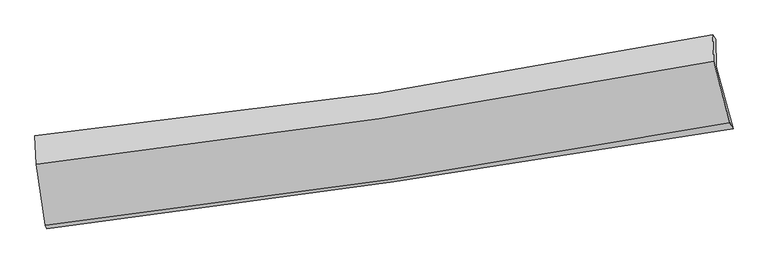
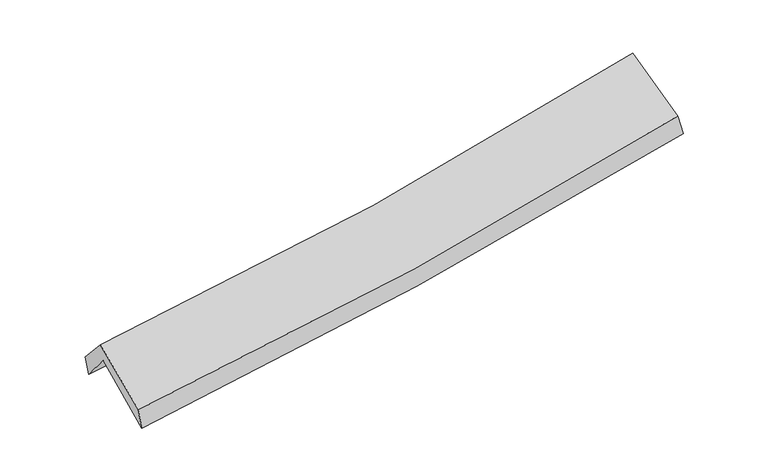
"""IFC4 building model written with IfcOpenShell, lengths in millimetres: proxy geometry."""

from ifc_helpers import new_model, si_unit, frame, origin, place, context, project, spatial, source, transform, mapped, element, save
from ifc_brep_helpers import plane_surface, spline_curve, spline_surface, advanced_brep


def generic_models_a4a6bc3a(model_context):
    return source(origin(), model_context, "Body", "AdvancedBrep", [
        advanced_brep(
        [(-2937.3283917, -2532.6401304, 1448.9196392), (-3017.861698, -1997.4554817, 1883.8290022), (2928.6906525, -1113.086068, 2414.8852298), (3075.0284425, -1658.3585508, 1983.8131116), (-3028.1494199, -1757.7484089, 1593.5359798), (2921.6255956, -873.8190691, 2087.8206554), (-3041.2270666, -1719.0164443, 1761.4027957), (2896.0852181, -834.4711816, 2254.2450549), (-3029.2028266, -1966.7367362, 2035.1990739), (2905.1289443, -1064.3356693, 2548.075747), (-2950.5880452, -2500.6687307, 1633.8570281), (3046.8829291, -1604.4101987, 2149.9173343)],
        [
            (0, 1),
            (1, 2, spline_curve(3, [(-3017.861698, -1997.4554817, 1883.8290022), (-2011.319638665, -1882.888358054, 1942.765083696), (-1008.682479542, -1751.202765027, 2016.94921065), (973.382142884, -1455.889116098, 2194.43456057), (1952.929100621, -1292.784904599, 2297.269176167), (2928.6906525, -1113.086068, 2414.8852298)], [4, 2, 4], [0.0, 10.032730739435351, 19.910762347920063])),
            (2, 3),
            (3, 0, spline_curve(3, [(3075.0284425, -1658.3585508, 1983.8131116), (2087.003623891, -1822.953899789, 1861.569566962), (1095.878566911, -1977.620052733, 1756.088408239), (-908.142511974, -2269.360682175, 1577.261443941), (-1921.136400133, -2406.121722266, 1504.444778519), (-2937.3283917, -2532.6401304, 1448.9196392)], [4, 2, 4], [0.0, 9.878031608484712, 19.910762347920063])),
            (1, 4),
            (4, 5, spline_curve(3, [(-3028.1494199, -1757.7484089, 1593.5359798), (-2019.388855176, -1643.285719369, 1621.679853869), (-1015.378317087, -1511.689182325, 1677.475400862), (967.734665466, -1216.521754318, 1843.083131986), (1946.982465433, -1053.475177755, 1952.049143408), (2921.6255956, -873.8190691, 2087.8206554)], [4, 2, 4], [0.0, 9.981728952480665, 19.80954519321437])),
            (5, 2),
            (4, 6),
            (6, 7, spline_curve(3, [(-3041.2270666, -1719.0164443, 1761.4027957), (-2034.007184742, -1617.811429564, 1805.215524367), (-1031.815764647, -1492.740098912, 1868.662551701), (947.134453736, -1197.161341804, 2033.544136432), (1924.047128432, -1027.384251394, 2134.377862248), (2896.0852181, -834.4711816, 2254.2450549)], [4, 2, 4], [0.0, 9.972888528669957, 19.792000660013848])),
            (7, 5),
            (6, 8),
            (8, 9, spline_curve(3, [(-3029.2028266, -1966.7367362, 2035.1990739), (-2023.553655335, -1854.633905852, 2086.566412323), (-1022.393739329, -1722.644807653, 2155.456974781), (955.579474973, -1421.235909862, 2326.952096458), (1932.530149123, -1252.424652337, 2429.020424826), (2905.1289443, -1064.3356693, 2548.075747)], [4, 2, 4], [0.0, 9.96295415227887, 19.772285089793247])),
            (9, 7),
            (8, 10),
            (10, 11, spline_curve(3, [(-2950.5880452, -2500.6687307, 1633.8570281), (-1935.161305616, -2382.824520107, 1687.178596929), (-923.806910008, -2248.506899415, 1757.308124272), (1075.225462913, -1949.249950268, 1929.842569018), (2063.028058983, -1784.814727386, 2031.733143556), (3046.8829291, -1604.4101987, 2149.9173343)], [4, 2, 4], [0.0, 10.01387587689614, 19.873343354340847])),
            (11, 9),
            (10, 0),
            (3, 11),
        ],
        [
            spline_surface(3, 3, [[(-2937.3283917, -2532.6401304, 1448.9196392), (-1921.136400069, -2406.121722221, 1504.444778565), (-908.14251212, -2269.360682108, 1577.261443923), (1095.878567055, -1977.620052798, 1756.088408258), (2087.003623794, -1822.953899727, 1861.569567062), (3075.0284425, -1658.3585508, 1983.8131116)], [(-2964.172827131, -2354.245247489, 1593.889426836), (-1951.197479643, -2231.710600851, 1650.551546938), (-941.655834607, -2096.641376446, 1723.824032812), (1055.046425673, -1803.709740556, 1902.203792354), (2042.312116018, -1646.230901328, 2006.802770121), (3026.249179148, -1476.601056541, 2127.503817673)], [(-2991.017262569, -2175.850364611, 1738.859214564), (-1981.258559226, -2057.299479514, 1796.658315402), (-975.169157087, -1923.92207075, 1870.386621742), (1014.214284297, -1629.79942828, 2048.319176492), (1997.620608297, -1469.507902908, 2152.035973159), (2977.469915852, -1294.843562259, 2271.194523727)], [(-3017.861698, -1997.4554817, 1883.8290022), (-2011.3196388, -1882.888358144, 1942.765083774), (-1008.682479573, -1751.202765087, 2016.949210631), (973.382142915, -1455.889116038, 2194.434560588), (1952.92910052, -1292.784904509, 2297.269176218), (2928.6906525, -1113.086068, 2414.8852298)]], [4, 4], [4, 2, 4], [0.0, 2.262251886528156], [0.0, 10.032730739435351, 19.910762347920063]),
            spline_surface(3, 3, [[(-3017.861698, -1997.4554817, 1883.8290022), (-2011.3196388, -1882.888358144, 1942.765083774), (-1008.682479573, -1751.202765087, 2016.949210631), (973.382142915, -1455.889116038, 2194.434560588), (1952.92910052, -1292.784904509, 2297.269176218), (2928.6906525, -1113.086068, 2414.8852298)], [(-3021.290938625, -1917.553124105, 1787.064661406), (-2014.009377613, -1803.020811877, 1835.736673784), (-1010.91442538, -1671.364904218, 1903.791274074), (971.499650394, -1376.09999541, 2077.3174177), (1950.946888886, -1213.014995583, 2182.195831894), (2926.335633555, -1033.330401706, 2305.863704997)], [(-3024.720179275, -1837.650766495, 1690.300320594), (-2016.699116452, -1723.153265596, 1728.708263775), (-1013.146371177, -1591.527043355, 1790.633337499), (969.617157883, -1296.310874788, 1960.200274795), (1948.964677187, -1133.24508664, 2067.122487578), (2923.980614545, -953.574735394, 2196.842180203)], [(-3028.1494199, -1757.7484089, 1593.5359798), (-2019.388855265, -1643.285719329, 1621.679853784), (-1015.378316983, -1511.689182485, 1677.475400942), (967.734665363, -1216.52175416, 1843.083131907), (1946.982465553, -1053.475177714, 1952.049143254), (2921.6255956, -873.8190691, 2087.8206554)]], [4, 4], [4, 2, 4], [0.0, 1.3787925622590578], [0.0, 9.981728952480665, 19.80954519321437]),
            spline_surface(3, 3, [[(-3028.1494199, -1757.7484089, 1593.5359798), (-2019.388855265, -1643.285719329, 1621.679853784), (-1015.378316983, -1511.689182485, 1677.475400942), (967.734665363, -1216.52175416, 1843.083131907), (1946.982465553, -1053.475177714, 1952.049143254), (2921.6255956, -873.8190691, 2087.8206554)], [(-3032.508635454, -1744.837754039, 1649.491585114), (-2024.261631756, -1634.794289403, 1682.858410612), (-1020.857466205, -1505.372821305, 1741.204451187), (960.86792812, -1210.068283376, 1906.570133419), (1939.337353169, -1044.778202296, 2012.82538285), (2913.112136424, -860.703106569, 2143.295455219)], [(-3036.867851046, -1731.927099161, 1705.447190386), (-2029.134408284, -1626.302859462, 1744.036967397), (-1026.336615376, -1499.056460106, 1804.933501439), (954.00119093, -1203.614812574, 1970.057134937), (1931.692240812, -1036.081226972, 2073.601622489), (2904.598677276, -847.587144131, 2198.770255081)], [(-3041.2270666, -1719.0164443, 1761.4027957), (-2034.007184774, -1617.811429536, 1805.215524225), (-1031.815764598, -1492.740098925, 1868.662551683), (947.134453688, -1197.16134179, 2033.544136449), (1924.047128428, -1027.384251553, 2134.377862085), (2896.0852181, -834.4711816, 2254.2450549)]], [4, 4], [4, 2, 4], [0.0, 0.632138896386282], [0.0, 9.972888528669957, 19.792000660013848]),
            spline_surface(3, 3, [[(-3041.2270666, -1719.0164443, 1761.4027957), (-2034.007184774, -1617.811429536, 1805.215524225), (-1031.815764598, -1492.740098925, 1868.662551683), (947.134453688, -1197.16134179, 2033.544136449), (1924.047128428, -1027.384251553, 2134.377862085), (2896.0852181, -834.4711816, 2254.2450549)], [(-3037.218986623, -1801.589874934, 1852.668221755), (-2030.522674954, -1696.752254941, 1898.999153546), (-1028.675089456, -1569.375001819, 1964.260692755), (949.949460749, -1271.852864433, 2131.346789758), (1926.874801978, -1102.397718466, 2232.592049637), (2899.099793507, -911.092677513, 2352.188618933)], [(-3033.210906577, -1884.163305566, 1943.933647845), (-2027.038165065, -1775.693080344, 1992.782782903), (-1025.534414341, -1646.009904808, 2059.858833809), (952.764467783, -1346.544387171, 2229.14944305), (1929.702475505, -1177.411185341, 2330.806237191), (2902.114368893, -987.714173387, 2450.132182967)], [(-3029.2028266, -1966.7367362, 2035.1990739), (-2023.553655244, -1854.633905748, 2086.566412224), (-1022.393739198, -1722.644807702, 2155.456974881), (955.579474844, -1421.235909813, 2326.95209636), (1932.530149054, -1252.424652253, 2429.020424742), (2905.1289443, -1064.3356693, 2548.075747)]], [4, 4], [4, 2, 4], [0.0, 1.2088183330924567], [0.0, 9.96295415227887, 19.772285089793247]),
            spline_surface(3, 3, [[(-3029.2028266, -1966.7367362, 2035.1990739), (-2023.553655244, -1854.633905748, 2086.566412224), (-1022.393739198, -1722.644807702, 2155.456974881), (955.579474844, -1421.235909813, 2326.95209636), (1932.530149054, -1252.424652253, 2429.020424742), (2905.1289443, -1064.3356693, 2548.075747)], [(-3002.997899462, -2144.714067696, 1901.418391965), (-1994.089538669, -2030.697443912, 1953.437140451), (-989.531462838, -1897.932171597, 2022.740691376), (995.461470891, -1597.240590019, 2194.582253889), (1976.029452352, -1429.888010612, 2296.591331017), (2952.380272547, -1244.360512446, 2415.356276106)], [(-2976.792972338, -2322.691399204, 1767.637710035), (-1964.625422106, -2206.760982089, 1820.307868682), (-956.669186459, -2073.219535424, 1890.024407859), (1035.343466956, -1773.245270157, 2062.212411407), (2019.528755708, -1607.351368931, 2164.162237273), (2999.631600853, -1424.385355554, 2282.636805194)], [(-2950.5880452, -2500.6687307, 1633.8570281), (-1935.161305531, -2382.824520252, 1687.178596909), (-923.806910098, -2248.506899318, 1757.308124354), (1075.225463002, -1949.249950364, 1929.842568937), (2063.028059006, -1784.814727289, 2031.733143548), (3046.8829291, -1604.4101987, 2149.9173343)]], [4, 4], [4, 2, 4], [0.0, 2.195058351064276], [0.0, 10.01387587689614, 19.873343354340847]),
            spline_surface(3, 3, [[(-2950.5880452, -2500.6687307, 1633.8570281), (-1935.161305531, -2382.824520252, 1687.178596909), (-923.806910098, -2248.506899318, 1757.308124354), (1075.225463002, -1949.249950364, 1929.842568937), (2063.028059006, -1784.814727289, 2031.733143548), (3046.8829291, -1604.4101987, 2149.9173343)], [(-2946.168160705, -2511.325863938, 1572.211231824), (-1930.486337049, -2390.590254246, 1626.267324151), (-918.585444086, -2255.458160242, 1697.292564211), (1082.10983104, -1958.706651169, 1871.924515378), (2071.019913954, -1797.527784761, 1975.01195139), (3056.264766919, -1622.392982726, 2094.549260071)], [(-2941.748276195, -2521.982997162, 1510.565435476), (-1925.811368551, -2398.355988227, 1565.356051323), (-913.363978132, -2262.409421184, 1637.277004065), (1088.994199018, -1968.163351993, 1814.006461816), (2079.011768846, -1810.240842256, 1918.290759219), (3065.646604681, -1640.375766774, 2039.181185829)], [(-2937.3283917, -2532.6401304, 1448.9196392), (-1921.136400069, -2406.121722221, 1504.444778565), (-908.14251212, -2269.360682108, 1577.261443923), (1095.878567055, -1977.620052798, 1756.088408258), (2087.003623794, -1822.953899727, 1861.569567062), (3075.0284425, -1658.3585508, 1983.8131116)]], [4, 4], [4, 2, 4], [0.0, 0.5891122282826629], [0.0, 10.074648953572646, 19.993952420634393]),
            plane_surface(frame((2962.240297, -1191.4134563, 2239.7928555), z_axis=(0.9782485618949105, 0.17692209615741178, 0.10829738243285024), x_axis=(0.2067024218486598, -0.7875243395602448, -0.5805855005097))),
            plane_surface(frame((-3000.7262413, -2079.0443221, 1726.1239198), z_axis=(-0.9929085682924201, -0.10652455436229252, -0.05277399292654966), x_axis=(-0.07047443575160364, 0.1699264884843042, 0.9829335391657398))),
        ],
        [
            (0, [[1, 2, 3, 4]]),
            (1, [[5, 6, 7, -2]]),
            (2, [[8, 9, 10, -6]]),
            (3, [[11, 12, 13, -9]]),
            (4, [[14, 15, 16, -12]]),
            (5, [[17, -4, 18, -15]]),
            (6, [[-16, -18, -3, -7, -10, -13]]),
            (7, [[-17, -14, -11, -8, -5, -1]]),
        ],
    ),
    ])


if __name__ == "__main__":
    model = new_model("IFC4")
    model_context = context("Model", 3, world=origin())
    ifc_project = project(units=[si_unit("LENGTHUNIT", "METRE", prefix="MILLI")], contexts=[model_context])
    site = spatial("IfcSite", under=ifc_project)
    building = spatial("IfcBuilding", under=site)
    placement = place(None, origin())
    generic_models_shape = generic_models_a4a6bc3a(model_context)
    element("IfcBuildingElementProxy", 1, Name="Generic Models", at=placement, inside=building, context=model_context, shape_type="MappedRepresentation", body=[
        mapped(generic_models_shape, transform((0.0, 0.0, 0.0), x_axis=(1.0, 0.0, 0.0), y_axis=(0.0, 1.0, 0.0), z_axis=(0.0, 0.0, 1.0))),
    ])
    save(model, "model.ifc")
